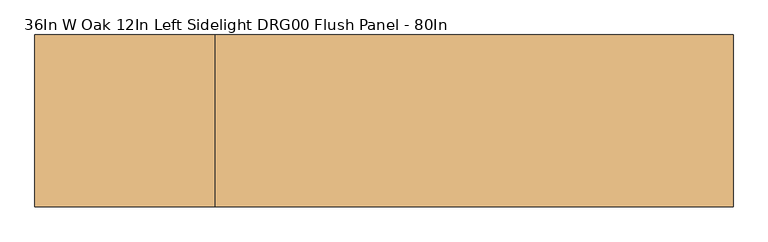
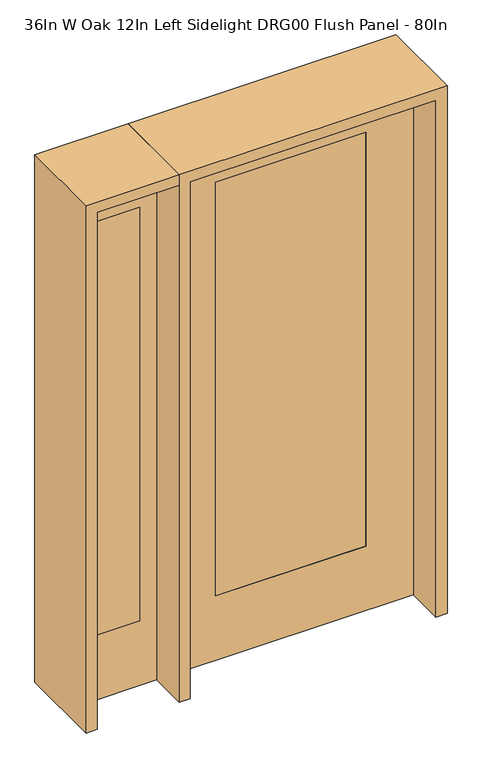
"""IFC4 building model written with IfcOpenShell, lengths in millimetres: door geometry, 36In W Oak 12In Left Sidelight DRG00 Flush Panel - 80In."""

import ifcopenshell
import ifcopenshell.guid

model = None  # the IFC model being written
_history = None  # IfcOwnerHistory: only IFC2X3 demands one
_inside = {}  # id of a spatial element -> (the spatial element, [elements in it])
_under = {}  # id of a project, library or spatial element -> (it, [spatial elements below it])
_declared = {}  # id of a project -> (the project, [libraries it declares])
_typed = {}  # id of a type object -> (the type object, [elements of that type])
_made_of = {}  # id of a material, layer set ... -> (it, [elements and type objects made of it])


def new_model(schema):
    """Start an empty IFC model of exactly this schema.

    Asked for "IFC4X3", IfcOpenShell would pick the latest addendum, in which some entities
    have other attributes; the version numbers below select the first issue.
    IFC2X3 requires an IfcOwnerHistory on every rooted entity: one is made here for all.
    """
    global model, _history
    if schema == "IFC4X3":
        model = ifcopenshell.file(schema_version=(4, 3, 0, 0))
    else:
        model = ifcopenshell.file(schema=schema)
    _inside.clear()
    _under.clear()
    _declared.clear()
    _typed.clear()
    _made_of.clear()
    _history = None
    if model.schema == "IFC2X3":
        org = make("IfcOrganization", Name="unknown")
        user = make(
            "IfcPersonAndOrganization",
            ThePerson=make("IfcPerson", FamilyName="unknown"),
            TheOrganization=org,
        )
        app = make(
            "IfcApplication",
            ApplicationDeveloper=org,
            Version="unknown",
            ApplicationFullName="unknown",
            ApplicationIdentifier="unknown",
        )
        _history = make(
            "IfcOwnerHistory",
            OwningUser=user,
            OwningApplication=app,
            ChangeAction="ADDED",
            CreationDate=0,
        )
    return model


def make(cls, **values):
    """One entity of the class cls with the attributes given. An attribute that is None is left unset."""
    return model.create_entity(
        cls, **{name: value for name, value in values.items() if value is not None}
    )


def rooted(cls, **values):
    """An entity with a GlobalId (a new one), such as an element, a storey or a relation."""
    return make(cls, GlobalId=ifcopenshell.guid.new(), OwnerHistory=_history, **values)


def si_unit(unit_type, name, prefix=None):
    """IfcSIUnit, for example si_unit("LENGTHUNIT", "METRE", prefix="MILLI")."""
    return make("IfcSIUnit", UnitType=unit_type, Prefix=prefix, Name=name)


def assignment(units):
    """IfcUnitAssignment: the units of a project."""
    return None if units is None else make("IfcUnitAssignment", Units=units)


def point(xyz):
    """IfcCartesianPoint."""
    return None if xyz is None else make("IfcCartesianPoint", Coordinates=xyz)


def direction(xyz):
    """IfcDirection."""
    return None if xyz is None else make("IfcDirection", DirectionRatios=xyz)


def frame(location, z_axis=None, x_axis=None):
    """IfcAxis2Placement3D, a coordinate frame: its origin and axes. An axis left out is left unset."""
    return make(
        "IfcAxis2Placement3D",
        Location=point(location),
        Axis=direction(z_axis),
        RefDirection=direction(x_axis),
    )


def origin():
    """The frame at (0, 0, 0) with its axes left unset."""
    return frame((0.0, 0.0, 0.0))


def place(relative_to, where):
    """IfcLocalPlacement: puts the frame where relative to a parent placement (None: the world)."""
    return make(
        "IfcLocalPlacement", PlacementRelTo=relative_to, RelativePlacement=where
    )


def context(
    kind, dimensions, precision=None, world=None, true_north=None, identifier=None
):
    """IfcGeometricRepresentationContext, for example the 3D "Model" context."""
    return make(
        "IfcGeometricRepresentationContext",
        ContextIdentifier=identifier,
        ContextType=kind,
        CoordinateSpaceDimension=dimensions,
        Precision=precision,
        WorldCoordinateSystem=world,
        TrueNorth=true_north,
    )


def project(units=None, contexts=None):
    """IfcProject with its units and contexts."""
    return rooted(
        "IfcProject",
        Name="project",
        RepresentationContexts=contexts,
        UnitsInContext=assignment(units),
    )


def spatial(cls, under=None, at=None, **own):
    """A site, building, storey or space (cls), placed at a placement, below another one or the project."""
    s = rooted(cls, ObjectPlacement=at, **own)
    if under is not None:
        _under.setdefault(under.id(), (under, []))[1].append(s)
    return s


def polyline(points):
    """IfcPolyline through the points."""
    return make("IfcPolyline", Points=[point(p) for p in points])


def outline(outer, holes=None, kind="AREA"):
    """IfcArbitraryClosedProfileDef: a profile drawn as a closed curve; with holes, ...WithVoids."""
    if holes is None:
        return make("IfcArbitraryClosedProfileDef", ProfileType=kind, OuterCurve=outer)
    return make(
        "IfcArbitraryProfileDefWithVoids",
        ProfileType=kind,
        OuterCurve=outer,
        InnerCurves=holes,
    )


def extrude(swept, where, along, depth):
    """IfcExtrudedAreaSolid: the profile swept, set in the frame where, extruded along a direction by depth."""
    return make(
        "IfcExtrudedAreaSolid",
        SweptArea=swept,
        Position=where,
        ExtrudedDirection=direction(along),
        Depth=depth,
    )


def shape(context_of_items, identifier, shape_type, items):
    """IfcShapeRepresentation: the items that make up one representation, for example the "Body"."""
    return make(
        "IfcShapeRepresentation",
        ContextOfItems=context_of_items,
        RepresentationIdentifier=identifier,
        RepresentationType=shape_type,
        Items=items,
    )


def source(mapping_origin, context_of_items, identifier, shape_type, items):
    """IfcRepresentationMap: a shape defined once, which mapped items show again and again."""
    return make(
        "IfcRepresentationMap",
        MappingOrigin=mapping_origin,
        MappedRepresentation=shape(context_of_items, identifier, shape_type, items),
    )


def transform(
    local_origin,
    x_axis=None,
    y_axis=None,
    z_axis=None,
    scale=None,
    scale2=None,
    scale3=None,
    uniform=True,
):
    """IfcCartesianTransformationOperator3D, or its non-uniform kind. x_axis, y_axis, z_axis: its Axis1, 2, 3."""
    if uniform:
        return make(
            "IfcCartesianTransformationOperator3D",
            Axis1=direction(x_axis),
            Axis2=direction(y_axis),
            LocalOrigin=point(local_origin),
            Scale=scale,
            Axis3=direction(z_axis),
        )
    return make(
        "IfcCartesianTransformationOperator3DnonUniform",
        Axis1=direction(x_axis),
        Axis2=direction(y_axis),
        LocalOrigin=point(local_origin),
        Scale=scale,
        Axis3=direction(z_axis),
        Scale2=scale2,
        Scale3=scale3,
    )


def mapped(mapping_source, mapping_target):
    """IfcMappedItem: shows the shape of a source again, moved by a transform."""
    return make(
        "IfcMappedItem", MappingSource=mapping_source, MappingTarget=mapping_target
    )


def made_of(thing, what):
    """Note that an element or type object is made of a material, layer set ...; save() writes the relation."""
    if what is not None:
        _made_of.setdefault(what.id(), (what, []))[1].append(thing)
    return thing


def element(
    cls,
    number,
    at=None,
    inside=None,
    cuts=None,
    type_object=None,
    material=None,
    context=None,
    identifier="Body",
    shape_type=None,
    held_by="IfcProductDefinitionShape",
    body=None,
    shapes=None,
    **own,
):
    """One element of the class cls, such as IfcWall. Its Tag is "e" and its number.

    at: its placement. inside: the storey or other place that contains it. cuts: it is an
    opening in that element (IfcRelVoidsElement). A single representation is given by context,
    identifier, shape_type and body (its items); several are given by shapes. held_by: the class
    of the entity that holds the representations. save() writes the other relations.
    """
    e = rooted(cls, Tag="e%d" % number, ObjectPlacement=at, **own)
    if body is not None:
        shapes = [shape(context, identifier, shape_type, body)]
    if shapes is not None:
        e.Representation = make(held_by, Representations=shapes)
    if inside is not None:
        _inside.setdefault(inside.id(), (inside, []))[1].append(e)
    if cuts is not None:
        rooted(
            "IfcRelVoidsElement", RelatingBuildingElement=cuts, RelatedOpeningElement=e
        )
    if type_object is not None:
        _typed.setdefault(type_object.id(), (type_object, []))[1].append(e)
    return made_of(e, material)


def aggregate(whole, parts):
    """IfcRelAggregates: a whole, such as a stair, and the parts it consists of."""
    return rooted("IfcRelAggregates", RelatingObject=whole, RelatedObjects=parts)


def save(model, path):
    """Write the relations noted so far, then the file.

    IfcRelAggregates (storeys below a building ...), IfcRelContainedInSpatialStructure (elements
    in a storey), IfcRelDefinesByType, IfcRelAssociatesMaterial and IfcRelDeclares: one each for
    every whole, place, type object, material and project.
    """
    for whole, parts in _under.values():
        aggregate(whole, parts)
    for where, things in _inside.values():
        rooted(
            "IfcRelContainedInSpatialStructure",
            RelatedElements=things,
            RelatingStructure=where,
        )
    for kind, things in _typed.values():
        rooted("IfcRelDefinesByType", RelatedObjects=things, RelatingType=kind)
    for what, things in _made_of.values():
        rooted("IfcRelAssociatesMaterial", RelatedObjects=things, RelatingMaterial=what)
    for by, libraries in _declared.values():
        rooted("IfcRelDeclares", RelatingContext=by, RelatedDefinitions=libraries)
    model.write(path)


def door_36in_w_oak_12in_left_sidelight_drg00_flush_panel_80in_989665a3(model_context):
    return source(origin(), model_context, "Body", "SweptSolid", [
        extrude(outline(polyline([(-561.975, -20.6375), (-739.775, -20.6375), (-739.775, 20.6375), (-561.975, 20.6375), (-561.975, -20.6375)])), frame((0.0, 0.0, 254.0), z_axis=(0.0, 0.0, 1.0), x_axis=(1.0, 0.0, 0.0)), (0.0, 0.0, 1.0), 1625.6),
        extrude(outline(polyline([(0.0, -803.275), (0.0, -498.475), (2032.0, -498.475), (2032.0, -803.275), (0.0, -803.275)]), holes=[polyline([(1879.6, -561.975), (254.0, -561.975), (254.0, -739.775), (1879.6, -739.775), (1879.6, -561.975)])]), frame((0.0, -20.6375, 0.0), z_axis=(0.0, 1.0, 0.0), x_axis=(0.0, 0.0, 1.0)), (0.0, 0.0, 1.0), 41.275),
        extrude(outline(polyline([(2032.0, 457.2), (2032.0, -457.2), (0.0, -457.2), (0.0, 457.2), (2032.0, 457.2)]), holes=[polyline([(254.0, 279.4), (254.0, -279.4), (1879.6, -279.4), (1879.6, 279.4), (254.0, 279.4)])]), frame((0.0, -20.701, 0.0), z_axis=(0.0, 1.0, 0.0), x_axis=(0.0, 0.0, 1.0)), (0.0, 0.0, 1.0), 41.402),
        extrude(outline(polyline([(279.4, -20.701), (-279.4, -20.701), (-279.4, 20.701), (279.4, 20.701), (279.4, -20.701)])), frame((0.0, 0.0, 254.0), z_axis=(0.0, 0.0, 1.0), x_axis=(1.0, 0.0, 0.0)), (0.0, 0.0, 1.0), 1625.6),
        extrude(outline(polyline([(2032.0, -498.475), (2073.275, -498.475), (2073.275, -844.55), (0.0, -844.55), (0.0, -803.275), (2032.0, -803.275), (2032.0, -498.475)])), frame((0.0, -165.1, 0.0), z_axis=(0.0, 1.0, 0.0), x_axis=(0.0, 0.0, 1.0)), (0.0, 0.0, 1.0), 330.2),
        extrude(outline(polyline([(2073.275, -498.475), (0.0, -498.475), (0.0, -457.2), (2032.0, -457.2), (2032.0, 457.2), (0.0, 457.2), (0.0, 498.475), (2073.275, 498.475), (2073.275, -498.475)])), frame((0.0, -165.1, 0.0), z_axis=(0.0, 1.0, 0.0), x_axis=(0.0, 0.0, 1.0)), (0.0, 0.0, 1.0), 330.2),
    ])


if __name__ == "__main__":
    model = new_model("IFC4")
    model_context = context("Model", 3, world=origin())
    ifc_project = project(units=[si_unit("LENGTHUNIT", "METRE", prefix="MILLI")], contexts=[model_context])
    site = spatial("IfcSite", under=ifc_project)
    building = spatial("IfcBuilding", under=site)
    placement = place(None, origin())
    door_36in_w_oak_12in_left_sidelight_drg00_flush_panel_80in_shape = door_36in_w_oak_12in_left_sidelight_drg00_flush_panel_80in_989665a3(model_context)
    element("IfcDoor", 1, ObjectType="36In W Oak 12In Left Sidelight DRG00 Flush Panel - 80In", at=placement, inside=building, context=model_context, shape_type="MappedRepresentation", body=[
        mapped(door_36in_w_oak_12in_left_sidelight_drg00_flush_panel_80in_shape, transform((0.0, 0.0, 0.0), x_axis=(1.0, 0.0, 0.0), y_axis=(0.0, 1.0, 0.0), z_axis=(0.0, 0.0, 1.0))),
    ])
    save(model, "model.ifc")
